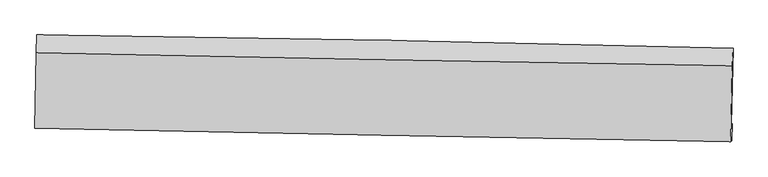
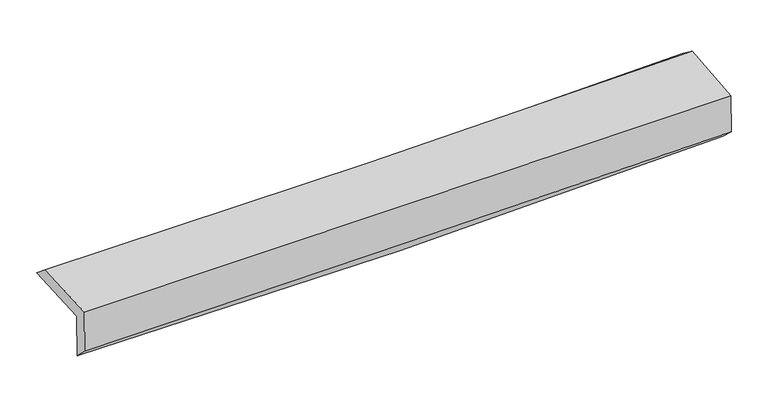
"""IFC4 building model written with IfcOpenShell, lengths in millimetres: proxy geometry."""

from ifc_helpers import new_model, si_unit, frame, origin, place, context, project, spatial, source, transform, mapped, element, save
from ifc_brep_helpers import plane_surface, spline_curve, spline_surface, advanced_brep


def generic_models_43a96932(model_context):
    return source(origin(), model_context, "Body", "AdvancedBrep", [
        advanced_brep(
        [(-3019.2234885, -1756.8777454, 1973.7867754), (-3008.4152312, -1079.7072953, 1988.4590044), (3011.5590269, -1195.1617725, 2136.667104), (2996.2256018, -1857.2170935, 2108.1578298), (-3009.8816835, -1748.3302901, 1572.4126687), (3005.5053493, -1848.7264189, 1709.4500475), (-3014.7268795, -1875.2006208, 1692.6885285), (2998.8559716, -1995.5048961, 1845.9181941), (-3024.049466, -1886.051569, 2091.5705597), (2990.3006399, -2003.3327534, 2213.5011875), (-3013.891748, -1234.0775246, 2116.5318289), (3005.3767883, -1345.642011, 2248.6849163)],
        [
            (0, 1),
            (1, 2, spline_curve(3, [(-3008.4152312, -1079.7072953, 1988.4590044), (-2004.993321545, -1091.311722188, 1980.347125366), (-1001.981415476, -1106.725398411, 1988.621009012), (1004.67786187, -1145.199156607, 2037.976099864), (2008.324041708, -1168.270305943, 2079.104916112), (3011.5590269, -1195.1617725, 2136.667104)], [4, 2, 4], [0.0, 9.870404435815525, 19.75513768469972])),
            (2, 3),
            (3, 0, spline_curve(3, [(2996.2256018, -1857.2170935, 2108.1578298), (1993.81386464, -1836.549640832, 2050.874611819), (990.956654735, -1817.849663271, 2011.039939465), (-1014.194332336, -1784.408913601, 1966.300138045), (-2016.486819499, -1769.66244202, 1961.344458763), (-3019.2234885, -1756.8777454, 1973.7867754)], [4, 2, 4], [0.0, 9.884733248884194, 19.75513768469972])),
            (4, 0),
            (3, 5),
            (5, 4, spline_curve(3, [(3005.5053493, -1848.7264189, 1709.4500475), (2003.08324667, -1828.068450174, 1652.612184609), (1000.226036979, -1809.368472559, 1612.777512657), (-1004.904234605, -1775.908768661, 1567.147645837), (-2007.176035592, -1761.143370004, 1561.303191669), (-3009.8816835, -1748.3302901, 1572.4126687)], [4, 2, 4], [0.0, 9.880575364110785, 19.746827942382183])),
            (6, 4),
            (5, 7),
            (7, 6, spline_curve(3, [(2998.8559716, -1995.5048961, 1845.9181941), (1996.037702108, -1975.585557425, 1815.436869019), (993.133119527, -1955.593207339, 1787.41959176), (-1011.39474789, -1915.491570613, 1736.350175152), (-2013.017781706, -1895.382495755, 1713.290897208), (-3014.7268795, -1875.2006208, 1692.6885285)], [4, 2, 4], [0.0, 9.878519930499069, 19.7427200546953])),
            (8, 6),
            (7, 9),
            (9, 8, spline_curve(3, [(2990.3006399, -2003.3327534, 2213.5011875), (1987.242745853, -1984.751117724, 2192.272819505), (984.154406996, -1965.679423847, 2171.49070341), (-1020.629049974, -1926.584275679, 2130.84845366), (-2022.324079451, -1906.562241798, 2110.987027245), (-3024.049466, -1886.051569, 2091.5705597)], [4, 2, 4], [0.0, 9.877105187692427, 19.739892619879413])),
            (10, 8),
            (9, 11),
            (11, 10, spline_curve(3, [(3005.3767883, -1345.642011, 2248.6849163), (2001.563381283, -1330.878669145, 2215.130908832), (997.687095669, -1314.191820188, 2187.337334887), (-1008.735932032, -1276.998085203, 2143.302994338), (-2011.282491823, -1256.496772211, 2127.045538702), (-3013.891748, -1234.0775246, 2116.5318289)], [4, 2, 4], [0.0, 9.881304069225774, 19.748284296288322])),
            (1, 10),
            (11, 2),
        ],
        [
            spline_surface(3, 3, [[(-3019.2234885, -1756.8777454, 1973.7867754), (-2016.486819423, -1769.662441918, 1961.344458625), (-1014.194332461, -1784.408913714, 1966.30013793), (990.956654861, -1817.849663159, 2011.039939581), (1993.813864695, -1836.54964071, 2050.874611734), (2996.2256018, -1857.2170935, 2108.1578298)], [(-3015.620736063, -1531.154262029, 1978.677518411), (-2012.655653479, -1543.545535311, 1967.678680847), (-1010.123360101, -1558.514408655, 1973.740428246), (995.530390539, -1593.632827613, 2020.018659707), (1998.650590377, -1613.789862406, 2060.284713229), (3001.336743498, -1636.5319865, 2117.660921199)], [(-3012.017983637, -1305.430778671, 1983.568261389), (-2008.824487547, -1317.428628717, 1974.012903036), (-1006.052387802, -1332.619903575, 1981.180718582), (1000.104126156, -1369.415992048, 2028.997379852), (2003.487316065, -1391.030084104, 2069.694814727), (3006.447885202, -1415.8468795, 2127.164012601)], [(-3008.4152312, -1079.7072953, 1988.4590044), (-2004.993321603, -1091.31172211, 1980.347125258), (-1001.981415441, -1106.725398516, 1988.621008899), (1004.677861835, -1145.199156502, 2037.976099978), (2008.324041747, -1168.2703058, 2079.104916221), (3011.5590269, -1195.1617725, 2136.667104)]], [4, 4], [4, 2, 4], [0.0, 2.2169848298264943], [0.0, 9.870404435815525, 19.75513768469972]),
            spline_surface(3, 3, [[(-3009.8816835, -1748.3302901, 1572.4126687), (-2007.176035682, -1761.143370087, 1561.303191794), (-1004.904234539, -1775.908768705, 1567.147645909), (1000.226036913, -1809.368472515, 1612.777512584), (2003.083246747, -1828.068450166, 1652.612184738), (3005.5053493, -1848.7264189, 1709.4500475)], [(-3012.995618499, -1751.179441885, 1706.204037609), (-2010.279630261, -1763.983060716, 1694.650280746), (-1008.000933838, -1778.742150372, 1700.198476596), (997.136242904, -1812.19553606, 1745.53165493), (1999.993452738, -1830.895513711, 1785.366327084), (3002.412100142, -1851.556643797, 1842.352641614)], [(-3016.109553501, -1754.028593615, 1839.995406491), (-2013.383224844, -1766.822751289, 1827.997369672), (-1011.097633162, -1781.575532048, 1833.249307242), (994.046448869, -1815.022599614, 1878.285797235), (1996.903658704, -1833.722577165, 1918.120469388), (2999.318850958, -1854.386868603, 1975.255235686)], [(-3019.2234885, -1756.8777454, 1973.7867754), (-2016.486819423, -1769.662441918, 1961.344458625), (-1014.194332461, -1784.408913714, 1966.30013793), (990.956654861, -1817.849663159, 2011.039939581), (1993.813864695, -1836.54964071, 2050.874611734), (2996.2256018, -1857.2170935, 2108.1578298)]], [4, 4], [4, 2, 4], [0.0, 1.3087439710297057], [0.0, 9.866252578271398, 19.746827942382183]),
            spline_surface(3, 3, [[(-3014.7268795, -1875.2006208, 1692.6885285), (-2013.017781859, -1895.38249568, 1713.290897108), (-1011.394747738, -1915.491570669, 1736.350175124), (993.133119375, -1955.593207284, 1787.419591788), (1996.037702242, -1975.585557405, 1815.43686896), (2998.8559716, -1995.5048961, 1845.9181941)], [(-3013.111814146, -1832.910510556, 1652.596575221), (-2011.070533112, -1850.636120471, 1662.628328658), (-1009.231243345, -1868.963970039, 1679.949332041), (995.497425215, -1906.851629052, 1729.205565376), (1998.386217053, -1926.413188318, 1761.161974201), (3001.072430809, -1946.578737026, 1800.428811881)], [(-3011.496748854, -1790.620400344, 1612.504621979), (-2009.123284429, -1805.889745295, 1611.965760244), (-1007.067738932, -1822.436369336, 1623.548488992), (997.861731073, -1858.110050747, 1670.991538997), (2000.734731936, -1877.240819253, 1706.887079497), (3003.288890091, -1897.652577974, 1754.939429719)], [(-3009.8816835, -1748.3302901, 1572.4126687), (-2007.176035682, -1761.143370087, 1561.303191794), (-1004.904234539, -1775.908768705, 1567.147645909), (1000.226036913, -1809.368472515, 1612.777512584), (2003.083246747, -1828.068450166, 1652.612184738), (3005.5053493, -1848.7264189, 1709.4500475)]], [4, 4], [4, 2, 4], [0.0, 0.7338207277556492], [0.0, 9.864200124196232, 19.7427200546953]),
            spline_surface(3, 3, [[(-3024.049466, -1886.051569, 2091.5705597), (-2022.324079566, -1906.56224168, 2110.987027137), (-1020.629049895, -1926.584275827, 2130.848453646), (984.154406916, -1965.679423698, 2171.490703425), (1987.242745926, -1984.751117684, 2192.272819504), (2990.3006399, -2003.3327534, 2213.5011875)], [(-3020.941937193, -1882.434586277, 1958.60988264), (-2019.221980357, -1902.83565969, 1978.421650467), (-1017.550949177, -1922.886707431, 1999.349027492), (987.147311069, -1962.317351549, 2043.466999566), (1990.174398052, -1981.69593093, 2066.660835996), (2993.152417154, -2000.723467638, 2090.97352304)], [(-3017.834408307, -1878.817603523, 1825.64920556), (-2016.119881069, -1899.10907767, 1845.856273778), (-1014.472848456, -1919.189139066, 1867.849601278), (990.140215223, -1958.955279433, 1915.443295647), (1993.106050115, -1978.64074416, 1941.048852468), (2996.004194346, -1998.114181862, 1968.44585856)], [(-3014.7268795, -1875.2006208, 1692.6885285), (-2013.017781859, -1895.38249568, 1713.290897108), (-1011.394747738, -1915.491570669, 1736.350175124), (993.133119375, -1955.593207284, 1787.419591788), (1996.037702242, -1975.585557405, 1815.43686896), (2998.8559716, -1995.5048961, 1845.9181941)]], [4, 4], [4, 2, 4], [0.0, 1.2779775982562267], [0.0, 9.862787432186986, 19.739892619879413]),
            spline_surface(3, 3, [[(-3013.891748, -1234.0775246, 2116.5318289), (-2011.28249181, -1256.496772213, 2127.045538856), (-1008.735931988, -1276.998085342, 2143.302994267), (997.687095625, -1314.191820049, 2187.337334958), (2001.563381206, -1330.87866901, 2215.130908699), (3005.3767883, -1345.642011, 2248.6849163)], [(-3017.277653982, -1451.402206064, 2108.21140582), (-2014.963021044, -1473.185262032, 2121.692701603), (-1012.700304647, -1493.526815508, 2139.151480714), (993.176199365, -1531.354354604, 2182.055124434), (1996.789836092, -1548.836151876, 2207.511545636), (3000.351405479, -1564.872258442, 2236.957006702)], [(-3020.663560018, -1668.726887536, 2099.89098278), (-2018.643550332, -1689.873751861, 2116.33986439), (-1016.664677236, -1710.055545661, 2134.999967199), (988.665303176, -1748.516889144, 2176.772913948), (1992.01629104, -1766.793634818, 2199.892182567), (2995.326022721, -1784.102505958, 2225.229097098)], [(-3024.049466, -1886.051569, 2091.5705597), (-2022.324079566, -1906.56224168, 2110.987027137), (-1020.629049895, -1926.584275827, 2130.848453646), (984.154406916, -1965.679423698, 2171.490703425), (1987.242745926, -1984.751117684, 2192.272819504), (2990.3006399, -2003.3327534, 2213.5011875)]], [4, 4], [4, 2, 4], [0.0, 2.13522446581677], [0.0, 9.866980227062548, 19.748284296288322]),
            spline_surface(3, 3, [[(-3008.4152312, -1079.7072953, 1988.4590044), (-2004.993321603, -1091.31172211, 1980.347125258), (-1001.981415441, -1106.725398516, 1988.621008899), (1004.677861835, -1145.199156502, 2037.976099978), (2008.324041747, -1168.2703058, 2079.104916221), (3011.5590269, -1195.1617725, 2136.667104)], [(-3010.240736818, -1131.16403839, 2031.149945899), (-2007.08971169, -1146.373405467, 2029.246596456), (-1004.232920955, -1163.48296077, 2040.181670685), (1002.347606433, -1201.530044329, 2087.763178301), (2006.070488251, -1222.473093534, 2124.446913711), (3009.498280717, -1245.321851997, 2174.006374764)], [(-3012.066242382, -1182.62078151, 2073.840887401), (-2009.186101723, -1201.435088855, 2078.146067658), (-1006.484426474, -1220.240523088, 2091.742332481), (1000.017351026, -1257.860932222, 2137.550256635), (2003.816934702, -1276.675881276, 2169.788911209), (3007.437534483, -1295.481931503, 2211.345645536)], [(-3013.891748, -1234.0775246, 2116.5318289), (-2011.28249181, -1256.496772213, 2127.045538856), (-1008.735931988, -1276.998085342, 2143.302994267), (997.687095625, -1314.191820049, 2187.337334958), (2001.563381206, -1330.87866901, 2215.130908699), (3005.3767883, -1345.642011, 2248.6849163)]], [4, 4], [4, 2, 4], [0.0, 0.7476540570609751], [0.0, 9.87268155663042, 19.759695232013556]),
            plane_surface(frame((3001.3038963, -1707.5974909, 2043.7298799), z_axis=(0.9994500538352253, -0.02412716856438899, 0.022747958717889896), x_axis=(0.02326298535955678, 0.02128489396501188, -0.9995027697815846))),
            plane_surface(frame((-3015.0314161, -1596.7075075, 1905.9082276), z_axis=(-0.9996020544146567, 0.016451057183491342, -0.022914962961860127), x_axis=(-0.01595513466387931, -0.9996380925147079, -0.02165912443783938))),
        ],
        [
            (0, [[1, 2, 3, 4]]),
            (1, [[5, -4, 6, 7]]),
            (2, [[8, -7, 9, 10]]),
            (3, [[11, -10, 12, 13]]),
            (4, [[14, -13, 15, 16]]),
            (5, [[17, -16, 18, -2]]),
            (6, [[-12, -9, -6, -3, -18, -15]]),
            (7, [[-1, -5, -8, -11, -14, -17]]),
        ],
    ),
    ])


if __name__ == "__main__":
    model = new_model("IFC4")
    model_context = context("Model", 3, world=origin())
    ifc_project = project(units=[si_unit("LENGTHUNIT", "METRE", prefix="MILLI")], contexts=[model_context])
    site = spatial("IfcSite", under=ifc_project)
    building = spatial("IfcBuilding", under=site)
    placement = place(None, origin())
    generic_models_shape = generic_models_43a96932(model_context)
    element("IfcBuildingElementProxy", 1, Name="Generic Models", at=placement, inside=building, context=model_context, shape_type="MappedRepresentation", body=[
        mapped(generic_models_shape, transform((0.0, 0.0, 0.0), x_axis=(1.0, 0.0, 0.0), y_axis=(0.0, 1.0, 0.0), z_axis=(0.0, 0.0, 1.0))),
    ])
    save(model, "model.ifc")
